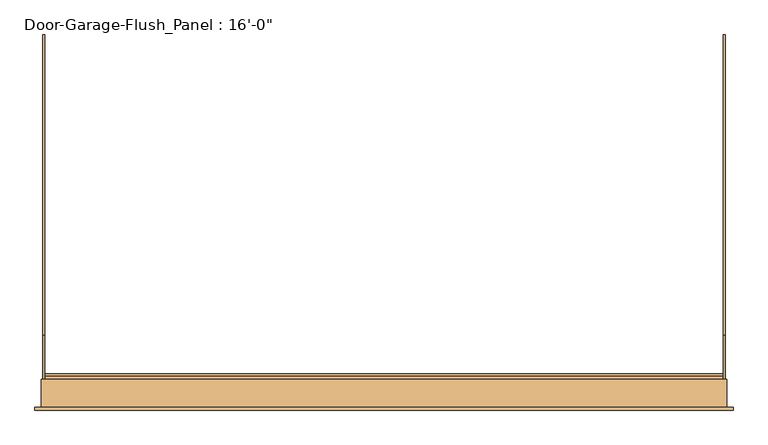
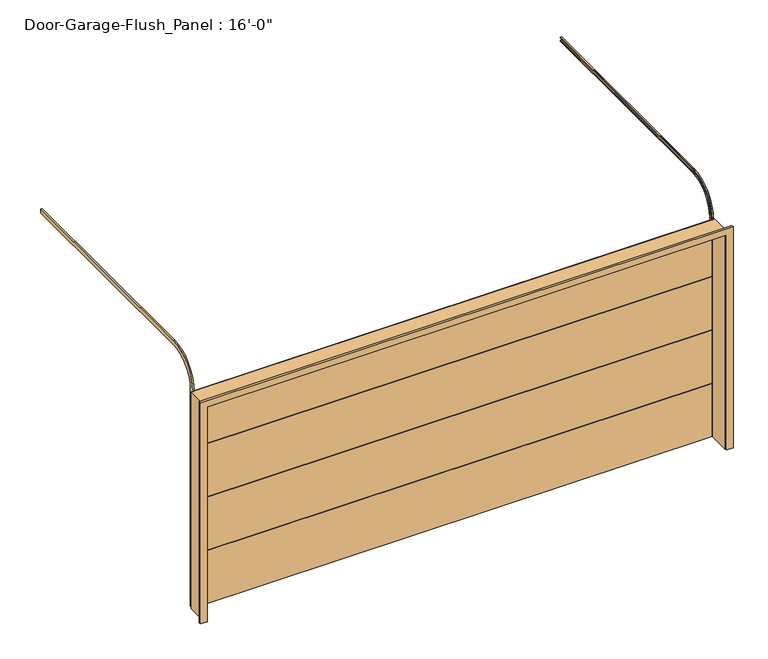
"""IFC4 building model written with IfcOpenShell, lengths in millimetres: door geometry."""

from ifc_helpers import new_model, si_unit, frame, origin, place, context, project, spatial, polyline, circle_curve, outline, extrude, source, transform, mapped, element, save
from ifc_brep_helpers import plane_surface, cylinder_surface, revolved_surface, advanced_brep


def door_e2bae78e(model_context):
    return source(origin(), model_context, "Body", "SolidModel", [
        extrude(outline(polyline([(127.0, 2136.775), (142.875, 2136.775), (142.875, 1606.55), (120.65, 1606.55), (120.65, 1600.2), (104.775, 1600.2), (104.775, 2130.425), (127.0, 2130.425), (127.0, 2136.775)])), frame((-2438.4, 0.0, 0.0), z_axis=(1.0, 0.0, 0.0), x_axis=(0.0, 1.0, 0.0)), (0.0, 0.0, 1.0), 4876.8),
        extrude(outline(polyline([(127.0, 1603.375), (142.875, 1603.375), (142.875, 1073.15), (120.65, 1073.15), (120.65, 1066.8), (104.775, 1066.8), (104.775, 1597.025), (127.0, 1597.025), (127.0, 1603.375)])), frame((-2438.4, 0.0, 0.0), z_axis=(1.0, 0.0, 0.0), x_axis=(0.0, 1.0, 0.0)), (0.0, 0.0, 1.0), 4876.8),
        extrude(outline(polyline([(127.0, 1069.975), (142.875, 1069.975), (142.875, 539.75), (120.65, 539.75), (120.65, 533.4), (104.775, 533.4), (104.775, 1063.625), (127.0, 1063.625), (127.0, 1069.975)])), frame((-2438.4, 0.0, 0.0), z_axis=(1.0, 0.0, 0.0), x_axis=(0.0, 1.0, 0.0)), (0.0, 0.0, 1.0), 4876.8),
        extrude(outline(polyline([(127.0, 536.575), (142.875, 536.575), (142.875, 6.35), (120.65, 6.35), (120.65, 0.0), (104.775, 0.0), (104.775, 530.225), (127.0, 530.225), (127.0, 536.575)])), frame((-2438.4, 0.0, 0.0), z_axis=(1.0, 0.0, 0.0), x_axis=(0.0, 1.0, 0.0)), (0.0, 0.0, 1.0), 4876.8),
        advanced_brep(
        [(2451.1, 2581.275, 2438.4), (2438.4, 2581.275, 2438.4), (2438.4, 2581.275, 2441.575), (2447.925, 2581.275, 2441.575), (2447.925, 2581.275, 2473.325), (2438.4, 2581.275, 2473.325), (2438.4, 2581.275, 2476.5), (2451.1, 2581.275, 2476.5), (2451.1, 422.275, 2476.5), (2451.1, 104.775, 2159.0), (2451.1, 104.775, 0.0), (2451.1, 142.875, 0.0), (2451.1, 142.875, 2159.0), (2451.1, 422.275, 2438.4), (2438.4, 422.275, 2476.5), (2438.4, 422.275, 2473.325), (2438.4, 107.95, 2159.0), (2438.4, 107.95, 0.0), (2438.4, 104.775, 0.0), (2438.4, 104.775, 2159.0), (2447.925, 422.275, 2473.325), (2447.925, 422.275, 2441.575), (2447.925, 139.7, 2159.0), (2447.925, 139.7, 0.0), (2447.925, 107.95, 0.0), (2447.925, 107.95, 2159.0), (2438.4, 422.275, 2441.575), (2438.4, 422.275, 2438.4), (2438.4, 142.875, 2159.0), (2438.4, 142.875, 0.0), (2438.4, 139.7, 0.0), (2438.4, 139.7, 2159.0)],
        [
            (0, 1),
            (1, 2),
            (2, 3),
            (3, 4),
            (4, 5),
            (5, 6),
            (6, 7),
            (7, 0),
            (7, 8),
            (8, 9, circle_curve(frame((2451.1, 422.275, 2159.0), z_axis=(1.0, 0.0, 0.0), x_axis=(0.0, 0.0, 1.0)), 317.5)),
            (9, 10),
            (10, 11),
            (11, 12),
            (12, 13, circle_curve(frame((2451.1, 422.275, 2159.0), z_axis=(-1.0, 0.0, 0.0), x_axis=(0.0, 0.0, 1.0)), 279.4)),
            (13, 0),
            (6, 14),
            (14, 8),
            (5, 15),
            (15, 16, circle_curve(frame((2438.4, 422.275, 2159.0), z_axis=(1.0, 0.0, 0.0), x_axis=(0.0, 0.0, 1.0)), 314.325)),
            (16, 17),
            (17, 18),
            (18, 19),
            (19, 14, circle_curve(frame((2438.4, 422.275, 2159.0), z_axis=(-1.0, 0.0, 0.0), x_axis=(0.0, 0.0, 1.0)), 317.5)),
            (4, 20),
            (20, 15),
            (3, 21),
            (21, 22, circle_curve(frame((2447.925, 422.275, 2159.0), z_axis=(1.0, 0.0, 0.0), x_axis=(0.0, 0.0, 1.0)), 282.575)),
            (22, 23),
            (23, 24),
            (24, 25),
            (25, 20, circle_curve(frame((2447.925, 422.275, 2159.0), z_axis=(-1.0, 0.0, 0.0), x_axis=(0.0, 0.0, 1.0)), 314.325)),
            (2, 26),
            (26, 21),
            (1, 27),
            (27, 28, circle_curve(frame((2438.4, 422.275, 2159.0), z_axis=(1.0, 0.0, 0.0), x_axis=(0.0, 0.0, 1.0)), 279.4)),
            (28, 29),
            (29, 30),
            (30, 31),
            (31, 26, circle_curve(frame((2438.4, 422.275, 2159.0), z_axis=(-1.0, 0.0, 0.0), x_axis=(0.0, 0.0, 1.0)), 282.575)),
            (13, 27),
            (19, 9),
            (25, 16),
            (31, 22),
            (12, 28),
            (10, 18),
            (17, 24),
            (23, 30),
            (29, 11),
        ],
        [
            plane_surface(frame((0.0, 2581.275, 2438.4), z_axis=(0.0, 1.0, 0.0), x_axis=(1.0, 0.0, 0.0))),
            plane_surface(frame((2451.1, 2581.275, 2438.4), z_axis=(1.0, 0.0, 0.0), x_axis=(0.0, -1.0, 0.0))),
            plane_surface(frame((2451.1, 2581.275, 2476.5), z_axis=(0.0, 0.0, 1.0), x_axis=(0.0, -1.0, 0.0))),
            plane_surface(frame((2438.4, 2581.275, 2476.5), z_axis=(-1.0, 0.0, 0.0), x_axis=(0.0, -1.0, 0.0))),
            plane_surface(frame((2438.4, 2581.275, 2473.325), z_axis=(0.0, 0.0, -1.0), x_axis=(0.0, -1.0, 0.0))),
            plane_surface(frame((2447.925, 2581.275, 2473.325), z_axis=(-1.0, 0.0, 0.0), x_axis=(0.0, -1.0, 0.0))),
            plane_surface(frame((2447.925, 2581.275, 2441.575), z_axis=(0.0, 0.0, 1.0), x_axis=(0.0, -1.0, 0.0))),
            plane_surface(frame((2438.4, 2581.275, 2441.575), z_axis=(-1.0, 0.0, 0.0), x_axis=(0.0, -1.0, 0.0))),
            plane_surface(frame((2438.4, 2581.275, 2438.4), z_axis=(0.0, 0.0, -1.0), x_axis=(0.0, -1.0, 0.0))),
            cylinder_surface(frame((0.0, 422.275, 2159.0), z_axis=(-1.0, 0.0, 0.0), x_axis=(0.0, 0.0, 1.0)), 317.5),
            revolved_surface(polyline([(2438.4, 422.275, 2473.325), (2447.925, 422.275, 2473.325)]), (0.0, 422.275, 2159.0), (-1.0, 0.0, 0.0)),
            cylinder_surface(frame((0.0, 422.275, 2159.0), z_axis=(-1.0, 0.0, 0.0), x_axis=(0.0, 0.0, 1.0)), 282.575),
            revolved_surface(polyline([(2438.4, 422.275, 2438.4), (2451.1, 422.275, 2438.4)]), (0.0, 422.275, 2159.0), (-1.0, 0.0, 0.0)),
            plane_surface(frame((0.0, 142.875, 0.0), z_axis=(0.0, 0.0, -1.0), x_axis=(1.0, 0.0, 0.0))),
            plane_surface(frame((2451.1, 104.775, 2159.0), z_axis=(0.0, -1.0, 0.0), x_axis=(0.0, 0.0, -1.0))),
            plane_surface(frame((2438.4, 107.95, 2159.0), z_axis=(0.0, 1.0, 0.0), x_axis=(0.0, 0.0, -1.0))),
            plane_surface(frame((2447.925, 139.7, 2159.0), z_axis=(0.0, -1.0, 0.0), x_axis=(0.0, 0.0, -1.0))),
            plane_surface(frame((2438.4, 142.875, 2159.0), z_axis=(0.0, 1.0, 0.0), x_axis=(0.0, 0.0, -1.0))),
        ],
        [
            (0, [[1, 2, 3, 4, 5, 6, 7, 8]]),
            (1, [[9, 10, 11, 12, 13, 14, 15, -8]]),
            (2, [[16, 17, -9, -7]]),
            (3, [[18, 19, 20, 21, 22, 23, -16, -6]]),
            (4, [[24, 25, -18, -5]]),
            (5, [[26, 27, 28, 29, 30, 31, -24, -4]]),
            (6, [[32, 33, -26, -3]]),
            (7, [[34, 35, 36, 37, 38, 39, -32, -2]]),
            (8, [[-15, 40, -34, -1]]),
            (9, [[41, -10, -17, -23]]),
            (10, [[42, -19, -25, -31]]),
            (11, [[43, -27, -33, -39]]),
            (12, [[44, -35, -40, -14]]),
            (13, [[-12, 45, -21, 46, -29, 47, -37, 48]]),
            (14, [[-22, -45, -11, -41]]),
            (15, [[-30, -46, -20, -42]]),
            (16, [[-38, -47, -28, -43]]),
            (17, [[-13, -48, -36, -44]]),
        ],
    ),
        advanced_brep(
        [(-2451.1, 2581.275, 2438.4), (-2451.1, 2581.275, 2476.5), (-2438.4, 2581.275, 2476.5), (-2438.4, 2581.275, 2473.325), (-2447.925, 2581.275, 2473.325), (-2447.925, 2581.275, 2441.575), (-2438.4, 2581.275, 2441.575), (-2438.4, 2581.275, 2438.4), (-2438.4, 422.275, 2438.4), (-2451.1, 422.275, 2438.4), (-2438.4, 422.275, 2441.575), (-2438.4, 139.7, 2159.0), (-2438.4, 139.7, 0.0), (-2438.4, 142.875, 0.0), (-2438.4, 142.875, 2159.0), (-2447.925, 422.275, 2441.575), (-2447.925, 422.275, 2473.325), (-2447.925, 107.95, 2159.0), (-2447.925, 107.95, 0.0), (-2447.925, 139.7, 0.0), (-2447.925, 139.7, 2159.0), (-2438.4, 422.275, 2473.325), (-2438.4, 422.275, 2476.5), (-2438.4, 104.775, 2159.0), (-2438.4, 104.775, 0.0), (-2438.4, 107.95, 0.0), (-2438.4, 107.95, 2159.0), (-2451.1, 422.275, 2476.5), (-2451.1, 142.875, 2159.0), (-2451.1, 142.875, 0.0), (-2451.1, 104.775, 0.0), (-2451.1, 104.775, 2159.0)],
        [
            (0, 1),
            (1, 2),
            (2, 3),
            (3, 4),
            (4, 5),
            (5, 6),
            (6, 7),
            (7, 0),
            (7, 8),
            (8, 9),
            (9, 0),
            (6, 10),
            (10, 11, circle_curve(frame((-2438.4, 422.275, 2159.0), z_axis=(1.0, 0.0, 0.0), x_axis=(0.0, 0.0, 1.0)), 282.575)),
            (11, 12),
            (12, 13),
            (13, 14),
            (14, 8, circle_curve(frame((-2438.4, 422.275, 2159.0), z_axis=(-1.0, 0.0, 0.0), x_axis=(0.0, 0.0, 1.0)), 279.4)),
            (5, 15),
            (15, 10),
            (4, 16),
            (16, 17, circle_curve(frame((-2447.925, 422.275, 2159.0), z_axis=(1.0, 0.0, 0.0), x_axis=(0.0, 0.0, 1.0)), 314.325)),
            (17, 18),
            (18, 19),
            (19, 20),
            (20, 15, circle_curve(frame((-2447.925, 422.275, 2159.0), z_axis=(-1.0, 0.0, 0.0), x_axis=(0.0, 0.0, 1.0)), 282.575)),
            (3, 21),
            (21, 16),
            (2, 22),
            (22, 23, circle_curve(frame((-2438.4, 422.275, 2159.0), z_axis=(1.0, 0.0, 0.0), x_axis=(0.0, 0.0, 1.0)), 317.5)),
            (23, 24),
            (24, 25),
            (25, 26),
            (26, 21, circle_curve(frame((-2438.4, 422.275, 2159.0), z_axis=(-1.0, 0.0, 0.0), x_axis=(0.0, 0.0, 1.0)), 314.325)),
            (1, 27),
            (27, 22),
            (9, 28, circle_curve(frame((-2451.1, 422.275, 2159.0), z_axis=(1.0, 0.0, 0.0), x_axis=(0.0, 0.0, 1.0)), 279.4)),
            (28, 29),
            (29, 30),
            (30, 31),
            (31, 27, circle_curve(frame((-2451.1, 422.275, 2159.0), z_axis=(-1.0, 0.0, 0.0), x_axis=(0.0, 0.0, 1.0)), 317.5)),
            (14, 28),
            (20, 11),
            (26, 17),
            (31, 23),
            (29, 13),
            (12, 19),
            (18, 25),
            (24, 30),
        ],
        [
            plane_surface(frame((0.0, 2581.275, 2438.4), z_axis=(0.0, 1.0, 0.0), x_axis=(1.0, 0.0, 0.0))),
            plane_surface(frame((-2451.1, 2581.275, 2438.4), z_axis=(0.0, 0.0, -1.0), x_axis=(0.0, -1.0, 0.0))),
            plane_surface(frame((-2438.4, 2581.275, 2438.4), z_axis=(1.0, 0.0, 0.0), x_axis=(0.0, -1.0, 0.0))),
            plane_surface(frame((-2438.4, 2581.275, 2441.575), z_axis=(0.0, 0.0, 1.0), x_axis=(0.0, -1.0, 0.0))),
            plane_surface(frame((-2447.925, 2581.275, 2441.575), z_axis=(1.0, 0.0, 0.0), x_axis=(0.0, -1.0, 0.0))),
            plane_surface(frame((-2447.925, 2581.275, 2473.325), z_axis=(0.0, 0.0, -1.0), x_axis=(0.0, -1.0, 0.0))),
            plane_surface(frame((-2438.4, 2581.275, 2473.325), z_axis=(1.0, 0.0, 0.0), x_axis=(0.0, -1.0, 0.0))),
            plane_surface(frame((-2438.4, 2581.275, 2476.5), z_axis=(0.0, 0.0, 1.0), x_axis=(0.0, -1.0, 0.0))),
            plane_surface(frame((-2451.1, 2581.275, 2476.5), z_axis=(-1.0, 0.0, 0.0), x_axis=(0.0, -1.0, 0.0))),
            revolved_surface(polyline([(-2451.1, 422.275, 2438.4), (-2438.4, 422.275, 2438.4)]), (0.0, 422.275, 2159.0), (-1.0, 0.0, 0.0)),
            cylinder_surface(frame((0.0, 422.275, 2159.0), z_axis=(-1.0, 0.0, 0.0), x_axis=(0.0, 0.0, 1.0)), 282.575),
            revolved_surface(polyline([(-2447.925, 422.275, 2473.325), (-2438.4, 422.275, 2473.325)]), (0.0, 422.275, 2159.0), (-1.0, 0.0, 0.0)),
            cylinder_surface(frame((0.0, 422.275, 2159.0), z_axis=(-1.0, 0.0, 0.0), x_axis=(0.0, 0.0, 1.0)), 317.5),
            plane_surface(frame((0.0, 142.875, 0.0), z_axis=(0.0, 0.0, -1.0), x_axis=(1.0, 0.0, 0.0))),
            plane_surface(frame((-2451.1, 142.875, 2159.0), z_axis=(0.0, 1.0, 0.0), x_axis=(0.0, 0.0, -1.0))),
            plane_surface(frame((-2438.4, 139.7, 2159.0), z_axis=(0.0, -1.0, 0.0), x_axis=(0.0, 0.0, -1.0))),
            plane_surface(frame((-2447.925, 107.95, 2159.0), z_axis=(0.0, 1.0, 0.0), x_axis=(0.0, 0.0, -1.0))),
            plane_surface(frame((-2438.4, 104.775, 2159.0), z_axis=(0.0, -1.0, 0.0), x_axis=(0.0, 0.0, -1.0))),
        ],
        [
            (0, [[1, 2, 3, 4, 5, 6, 7, 8]]),
            (1, [[9, 10, 11, -8]]),
            (2, [[12, 13, 14, 15, 16, 17, -9, -7]]),
            (3, [[18, 19, -12, -6]]),
            (4, [[20, 21, 22, 23, 24, 25, -18, -5]]),
            (5, [[26, 27, -20, -4]]),
            (6, [[28, 29, 30, 31, 32, 33, -26, -3]]),
            (7, [[34, 35, -28, -2]]),
            (8, [[-11, 36, 37, 38, 39, 40, -34, -1]]),
            (9, [[41, -36, -10, -17]]),
            (10, [[42, -13, -19, -25]]),
            (11, [[43, -21, -27, -33]]),
            (12, [[44, -29, -35, -40]]),
            (13, [[45, -15, 46, -23, 47, -31, 48, -38]]),
            (14, [[-16, -45, -37, -41]]),
            (15, [[-24, -46, -14, -42]]),
            (16, [[-32, -47, -22, -43]]),
            (17, [[-39, -48, -30, -44]]),
        ],
    ),
        extrude(outline(polyline([(0.0, 2463.8), (2159.0, 2463.8), (2159.0, -2463.8), (0.0, -2463.8), (0.0, -2438.4), (2133.6, -2438.4), (2133.6, 2438.4), (0.0, 2438.4), (0.0, 2463.8)])), frame((0.0, -98.425, 0.0), z_axis=(0.0, 1.0, 0.0), x_axis=(0.0, 0.0, 1.0)), (0.0, 0.0, 1.0), 203.2),
        extrude(outline(polyline([(0.0, 2508.25), (2203.45, 2508.25), (2203.45, -2508.25), (0.0, -2508.25), (0.0, -2444.75), (2139.95, -2444.75), (2139.95, 2444.75), (0.0, 2444.75), (0.0, 2508.25)])), frame((0.0, -117.475, 0.0), z_axis=(0.0, 1.0, 0.0), x_axis=(0.0, 0.0, 1.0)), (0.0, 0.0, 1.0), 19.05),
    ])


if __name__ == "__main__":
    model = new_model("IFC4")
    model_context = context("Model", 3, world=origin())
    ifc_project = project(units=[si_unit("LENGTHUNIT", "METRE", prefix="MILLI")], contexts=[model_context])
    site = spatial("IfcSite", under=ifc_project)
    building = spatial("IfcBuilding", under=site)
    placement = place(None, origin())
    door_shape = door_e2bae78e(model_context)
    element("IfcDoor", 1, ObjectType="Door-Garage-Flush_Panel : 16'-0\"", at=placement, inside=building, context=model_context, shape_type="MappedRepresentation", body=[
        mapped(door_shape, transform((0.0, 0.0, 0.0), x_axis=(1.0, 0.0, 0.0), y_axis=(0.0, 1.0, 0.0), z_axis=(0.0, 0.0, 1.0))),
    ])
    save(model, "model.ifc")
